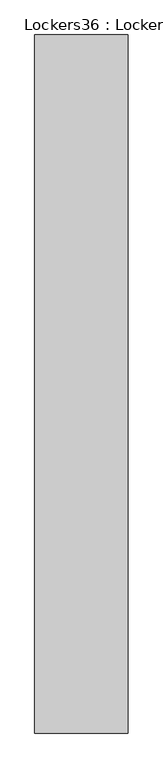
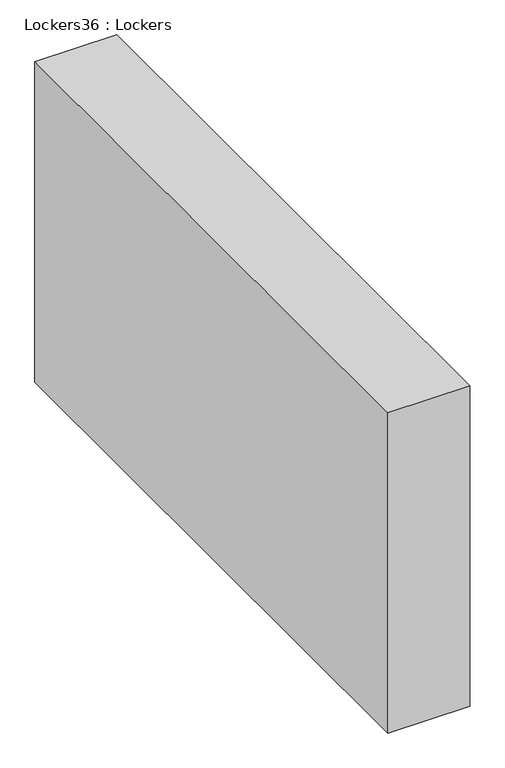
"""IFC4 building model written with IfcOpenShell, lengths in millimetres: furniture geometry, Lockers36 : Lockers."""

from ifc_helpers import new_model, si_unit, origin, origin_with_axes, place, context, project, spatial, polyline, outline, extrude, source, transform, mapped, element, save


def lockers36_lockers_af5dfb8b(model_context):
    return source(origin(), model_context, "Body", "SweptSolid", [
        extrude(outline(polyline([(-509017.0652128, -59314.0413317), (-509017.0652128, -62616.0413317), (-509458.3902128, -62616.0413317), (-509458.3902128, -59314.0413317), (-509017.0652128, -59314.0413317)])), origin_with_axes(), (0.0, 0.0, 1.0), 1828.8),
    ])


if __name__ == "__main__":
    model = new_model("IFC4")
    model_context = context("Model", 3, world=origin())
    ifc_project = project(units=[si_unit("LENGTHUNIT", "METRE", prefix="MILLI")], contexts=[model_context])
    site = spatial("IfcSite", under=ifc_project)
    building = spatial("IfcBuilding", under=site)
    placement = place(None, origin())
    lockers36_lockers_shape = lockers36_lockers_af5dfb8b(model_context)
    element("IfcFurniture", 1, ObjectType="Lockers36 : Lockers", at=placement, inside=building, context=model_context, shape_type="MappedRepresentation", body=[
        mapped(lockers36_lockers_shape, transform((0.0, 0.0, 0.0), x_axis=(1.0, 0.0, 0.0), y_axis=(0.0, 1.0, 0.0), z_axis=(0.0, 0.0, 1.0))),
    ])
    save(model, "model.ifc")
